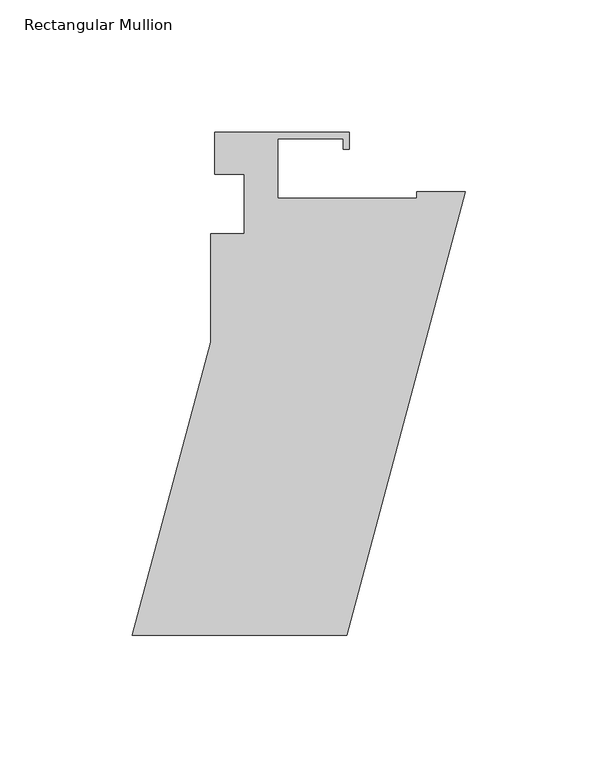
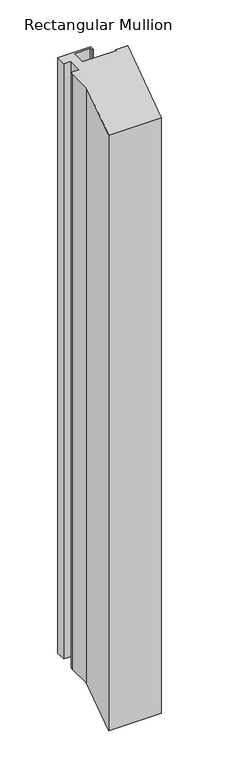
"""IFC4 building model written with IfcOpenShell, lengths in millimetres: member geometry, Rectangular Mullion."""

import ifcopenshell
import ifcopenshell.guid

model = None  # the IFC model being written
_history = None  # IfcOwnerHistory: only IFC2X3 demands one
_inside = {}  # id of a spatial element -> (the spatial element, [elements in it])
_under = {}  # id of a project, library or spatial element -> (it, [spatial elements below it])
_declared = {}  # id of a project -> (the project, [libraries it declares])
_typed = {}  # id of a type object -> (the type object, [elements of that type])
_made_of = {}  # id of a material, layer set ... -> (it, [elements and type objects made of it])


def new_model(schema):
    """Start an empty IFC model of exactly this schema.

    Asked for "IFC4X3", IfcOpenShell would pick the latest addendum, in which some entities
    have other attributes; the version numbers below select the first issue.
    IFC2X3 requires an IfcOwnerHistory on every rooted entity: one is made here for all.
    """
    global model, _history
    if schema == "IFC4X3":
        model = ifcopenshell.file(schema_version=(4, 3, 0, 0))
    else:
        model = ifcopenshell.file(schema=schema)
    _inside.clear()
    _under.clear()
    _declared.clear()
    _typed.clear()
    _made_of.clear()
    _history = None
    if model.schema == "IFC2X3":
        org = make("IfcOrganization", Name="unknown")
        user = make(
            "IfcPersonAndOrganization",
            ThePerson=make("IfcPerson", FamilyName="unknown"),
            TheOrganization=org,
        )
        app = make(
            "IfcApplication",
            ApplicationDeveloper=org,
            Version="unknown",
            ApplicationFullName="unknown",
            ApplicationIdentifier="unknown",
        )
        _history = make(
            "IfcOwnerHistory",
            OwningUser=user,
            OwningApplication=app,
            ChangeAction="ADDED",
            CreationDate=0,
        )
    return model


def make(cls, **values):
    """One entity of the class cls with the attributes given. An attribute that is None is left unset."""
    return model.create_entity(
        cls, **{name: value for name, value in values.items() if value is not None}
    )


def rooted(cls, **values):
    """An entity with a GlobalId (a new one), such as an element, a storey or a relation."""
    return make(cls, GlobalId=ifcopenshell.guid.new(), OwnerHistory=_history, **values)


def si_unit(unit_type, name, prefix=None):
    """IfcSIUnit, for example si_unit("LENGTHUNIT", "METRE", prefix="MILLI")."""
    return make("IfcSIUnit", UnitType=unit_type, Prefix=prefix, Name=name)


def assignment(units):
    """IfcUnitAssignment: the units of a project."""
    return None if units is None else make("IfcUnitAssignment", Units=units)


def point(xyz):
    """IfcCartesianPoint."""
    return None if xyz is None else make("IfcCartesianPoint", Coordinates=xyz)


def direction(xyz):
    """IfcDirection."""
    return None if xyz is None else make("IfcDirection", DirectionRatios=xyz)


def frame(location, z_axis=None, x_axis=None):
    """IfcAxis2Placement3D, a coordinate frame: its origin and axes. An axis left out is left unset."""
    return make(
        "IfcAxis2Placement3D",
        Location=point(location),
        Axis=direction(z_axis),
        RefDirection=direction(x_axis),
    )


def origin():
    """The frame at (0, 0, 0) with its axes left unset."""
    return frame((0.0, 0.0, 0.0))


def place(relative_to, where):
    """IfcLocalPlacement: puts the frame where relative to a parent placement (None: the world)."""
    return make(
        "IfcLocalPlacement", PlacementRelTo=relative_to, RelativePlacement=where
    )


def context(
    kind, dimensions, precision=None, world=None, true_north=None, identifier=None
):
    """IfcGeometricRepresentationContext, for example the 3D "Model" context."""
    return make(
        "IfcGeometricRepresentationContext",
        ContextIdentifier=identifier,
        ContextType=kind,
        CoordinateSpaceDimension=dimensions,
        Precision=precision,
        WorldCoordinateSystem=world,
        TrueNorth=true_north,
    )


def project(units=None, contexts=None):
    """IfcProject with its units and contexts."""
    return rooted(
        "IfcProject",
        Name="project",
        RepresentationContexts=contexts,
        UnitsInContext=assignment(units),
    )


def spatial(cls, under=None, at=None, **own):
    """A site, building, storey or space (cls), placed at a placement, below another one or the project."""
    s = rooted(cls, ObjectPlacement=at, **own)
    if under is not None:
        _under.setdefault(under.id(), (under, []))[1].append(s)
    return s


def polyline(points):
    """IfcPolyline through the points."""
    return make("IfcPolyline", Points=[point(p) for p in points])


def outline(outer, holes=None, kind="AREA"):
    """IfcArbitraryClosedProfileDef: a profile drawn as a closed curve; with holes, ...WithVoids."""
    if holes is None:
        return make("IfcArbitraryClosedProfileDef", ProfileType=kind, OuterCurve=outer)
    return make(
        "IfcArbitraryProfileDefWithVoids",
        ProfileType=kind,
        OuterCurve=outer,
        InnerCurves=holes,
    )


def extrude(swept, where, along, depth):
    """IfcExtrudedAreaSolid: the profile swept, set in the frame where, extruded along a direction by depth."""
    return make(
        "IfcExtrudedAreaSolid",
        SweptArea=swept,
        Position=where,
        ExtrudedDirection=direction(along),
        Depth=depth,
    )


def shape(context_of_items, identifier, shape_type, items):
    """IfcShapeRepresentation: the items that make up one representation, for example the "Body"."""
    return make(
        "IfcShapeRepresentation",
        ContextOfItems=context_of_items,
        RepresentationIdentifier=identifier,
        RepresentationType=shape_type,
        Items=items,
    )


def source(mapping_origin, context_of_items, identifier, shape_type, items):
    """IfcRepresentationMap: a shape defined once, which mapped items show again and again."""
    return make(
        "IfcRepresentationMap",
        MappingOrigin=mapping_origin,
        MappedRepresentation=shape(context_of_items, identifier, shape_type, items),
    )


def transform(
    local_origin,
    x_axis=None,
    y_axis=None,
    z_axis=None,
    scale=None,
    scale2=None,
    scale3=None,
    uniform=True,
):
    """IfcCartesianTransformationOperator3D, or its non-uniform kind. x_axis, y_axis, z_axis: its Axis1, 2, 3."""
    if uniform:
        return make(
            "IfcCartesianTransformationOperator3D",
            Axis1=direction(x_axis),
            Axis2=direction(y_axis),
            LocalOrigin=point(local_origin),
            Scale=scale,
            Axis3=direction(z_axis),
        )
    return make(
        "IfcCartesianTransformationOperator3DnonUniform",
        Axis1=direction(x_axis),
        Axis2=direction(y_axis),
        LocalOrigin=point(local_origin),
        Scale=scale,
        Axis3=direction(z_axis),
        Scale2=scale2,
        Scale3=scale3,
    )


def mapped(mapping_source, mapping_target):
    """IfcMappedItem: shows the shape of a source again, moved by a transform."""
    return make(
        "IfcMappedItem", MappingSource=mapping_source, MappingTarget=mapping_target
    )


def made_of(thing, what):
    """Note that an element or type object is made of a material, layer set ...; save() writes the relation."""
    if what is not None:
        _made_of.setdefault(what.id(), (what, []))[1].append(thing)
    return thing


def element(
    cls,
    number,
    at=None,
    inside=None,
    cuts=None,
    type_object=None,
    material=None,
    context=None,
    identifier="Body",
    shape_type=None,
    held_by="IfcProductDefinitionShape",
    body=None,
    shapes=None,
    **own,
):
    """One element of the class cls, such as IfcWall. Its Tag is "e" and its number.

    at: its placement. inside: the storey or other place that contains it. cuts: it is an
    opening in that element (IfcRelVoidsElement). A single representation is given by context,
    identifier, shape_type and body (its items); several are given by shapes. held_by: the class
    of the entity that holds the representations. save() writes the other relations.
    """
    e = rooted(cls, Tag="e%d" % number, ObjectPlacement=at, **own)
    if body is not None:
        shapes = [shape(context, identifier, shape_type, body)]
    if shapes is not None:
        e.Representation = make(held_by, Representations=shapes)
    if inside is not None:
        _inside.setdefault(inside.id(), (inside, []))[1].append(e)
    if cuts is not None:
        rooted(
            "IfcRelVoidsElement", RelatingBuildingElement=cuts, RelatedOpeningElement=e
        )
    if type_object is not None:
        _typed.setdefault(type_object.id(), (type_object, []))[1].append(e)
    return made_of(e, material)


def aggregate(whole, parts):
    """IfcRelAggregates: a whole, such as a stair, and the parts it consists of."""
    return rooted("IfcRelAggregates", RelatingObject=whole, RelatedObjects=parts)


def save(model, path):
    """Write the relations noted so far, then the file.

    IfcRelAggregates (storeys below a building ...), IfcRelContainedInSpatialStructure (elements
    in a storey), IfcRelDefinesByType, IfcRelAssociatesMaterial and IfcRelDeclares: one each for
    every whole, place, type object, material and project.
    """
    for whole, parts in _under.values():
        aggregate(whole, parts)
    for where, things in _inside.values():
        rooted(
            "IfcRelContainedInSpatialStructure",
            RelatedElements=things,
            RelatingStructure=where,
        )
    for kind, things in _typed.values():
        rooted("IfcRelDefinesByType", RelatedObjects=things, RelatingType=kind)
    for what, things in _made_of.values():
        rooted("IfcRelAssociatesMaterial", RelatedObjects=things, RelatingMaterial=what)
    for by, libraries in _declared.values():
        rooted("IfcRelDeclares", RelatingContext=by, RelatedDefinitions=libraries)
    model.write(path)


def rectangular_mullion_e8b60c0b(model_context):
    return source(origin(), model_context, "Body", "SweptSolid", [
        extrude(outline(polyline([(-43.8882963, 20.8256188), (-43.8882963, 14.4756188), (-46.2504963, 14.4756188), (-46.2504963, 18.4634188), (-70.8630963, 18.4634188), (-70.8630963, -4.0409812), (-18.4882963, -4.0409812), (-18.4882963, -1.6533812), (0.0, -1.6533812), (-44.9194564, -169.2950748), (-125.9248093, -169.2950748), (-96.2630963, -58.5960549), (-96.2630963, -21.2875813), (-96.2630963, -17.5283813), (-83.5757963, -17.5283812), (-83.5757963, 4.9506188), (-94.6882963, 4.9506187), (-94.6882963, 20.8256187), (-43.8882963, 20.8256188)])), frame((0.0, 0.0, -970.0220312), z_axis=(0.0, 0.0, 1.0), x_axis=(1.0, 0.0, 0.0)), (0.0, 0.0, 1.0), 970.0220312),
    ])


if __name__ == "__main__":
    model = new_model("IFC4")
    model_context = context("Model", 3, world=origin())
    ifc_project = project(units=[si_unit("LENGTHUNIT", "METRE", prefix="MILLI")], contexts=[model_context])
    site = spatial("IfcSite", under=ifc_project)
    building = spatial("IfcBuilding", under=site)
    placement = place(None, origin())
    rectangular_mullion_shape = rectangular_mullion_e8b60c0b(model_context)
    element("IfcMember", 1, ObjectType="Rectangular Mullion", at=placement, inside=building, context=model_context, shape_type="MappedRepresentation", body=[
        mapped(rectangular_mullion_shape, transform((0.0, 0.0, 0.0), x_axis=(1.0, 0.0, 0.0), y_axis=(0.0, 1.0, 0.0), z_axis=(0.0, 0.0, 1.0))),
    ])
    save(model, "model.ifc")
